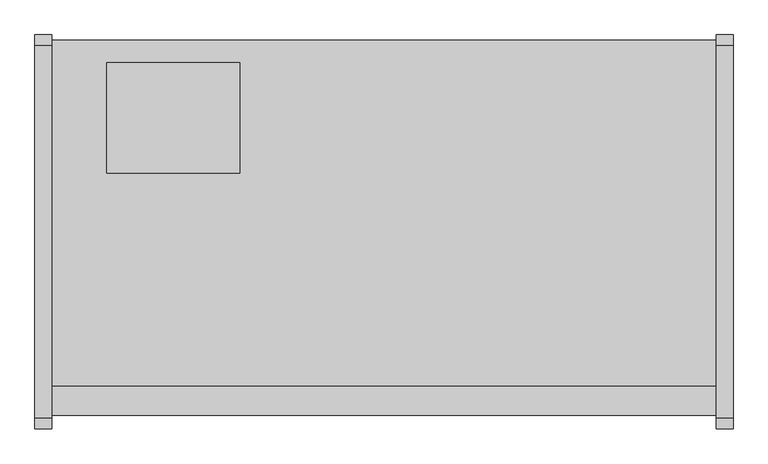
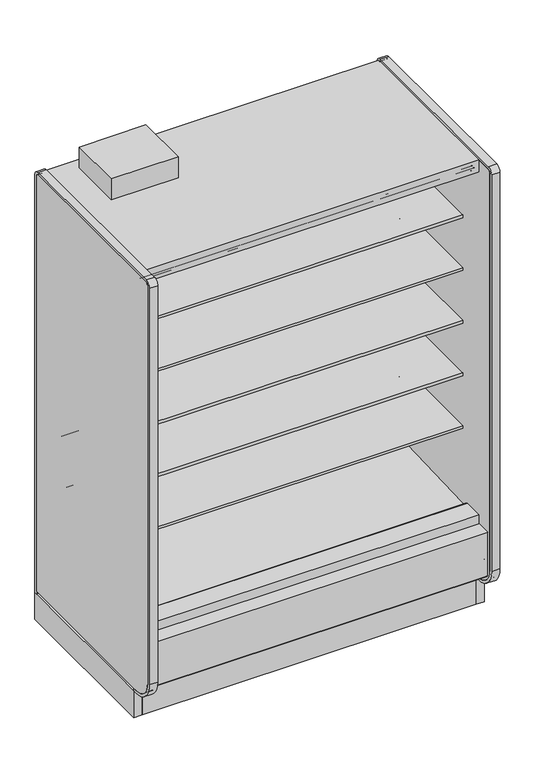
"""IFC4 building model written with IfcOpenShell, lengths in millimetres: proxy geometry."""

from ifc_helpers import new_model, si_unit, point, frame, frame_2d, origin, origin_with_axes, place, context, project, spatial, polyline, circle_curve, trimmed, segment, composite_curve, outline, extrude, source, transform, mapped, element, save


def mechanical_equipment_2878306b(model_context):
    return source(origin(), model_context, "Body", "SweptSolid", [
        extrude(outline(polyline([(0.0, -76.2), (0.0, 0.0), (1524.0, 0.0), (1524.0, -76.2), (0.0, -76.2)])), frame((1524.0, -1069.7024444, 2067.8753304), z_axis=(0.0, 0.08686991344759683, 0.9962196635971442), x_axis=(-1.0, 0.0, 0.0)), (0.0, 0.0, 1.0), 13.49375),
        extrude(outline(polyline([(-1116.7224764, 0.0), (-1116.7224764, 200.9830033), (-1104.0224764, 190.326438), (-1104.0224764, 0.0), (-1116.7224764, 0.0)])), frame((0.0, 0.0, 0.0), z_axis=(1.0, 0.0, 0.0), x_axis=(0.0, 1.0, 0.0)), (0.0, 0.0, 1.0), 1524.0),
        extrude(outline(composite_curve([segment(polyline([(-453.852044, 1714.883004), (-464.9599362, 1714.6666869)]), True, "CONTINUOUS"), segment(trimmed(circle_curve(frame_2d((-465.4478819, 1739.7227147)), 25.0607786), [point((-464.9599362, 1714.6666869))], [point((-481.3552045, 1720.3578055))], False, "CARTESIAN"), True, "CONTINUOUS"), segment(polyline([(-481.3552045, 1720.3578055), (-519.5769051, 1751.4410741)]), True, "CONTINUOUS"), segment(trimmed(circle_curve(frame_2d((-559.6413782, 1702.1755893)), 63.5), [point((-519.5769051, 1751.4410741))], [point((-552.7883688, 1765.304713))], True, "CARTESIAN"), True, "CONTINUOUS"), segment(polyline([(-552.7883688, 1765.304713), (-892.1960421, 1797.9152031), (-892.1960421, 1802.1995295), (-1012.652044, 1802.1995295), (-1012.652044, 1815.6932795), (-453.852044, 1815.6932795), (-453.852044, 1714.883004)]), True, "CONTINUOUS")], self_intersect=False)), frame((0.0, 0.0, 0.0), z_axis=(1.0, 0.0, 0.0), x_axis=(0.0, 1.0, 0.0)), (0.0, 0.0, 1.0), 1524.0),
        extrude(outline(composite_curve([segment(polyline([(-453.852044, 698.883004), (-464.9599362, 698.6666869)]), True, "CONTINUOUS"), segment(trimmed(circle_curve(frame_2d((-465.4478819, 723.7227147)), 25.0607786), [point((-464.9599362, 698.6666869))], [point((-481.3552045, 704.3578055))], False, "CARTESIAN"), True, "CONTINUOUS"), segment(polyline([(-481.3552045, 704.3578055), (-519.5769051, 735.4410741)]), True, "CONTINUOUS"), segment(trimmed(circle_curve(frame_2d((-559.6413782, 686.1755893)), 63.5), [point((-519.5769051, 735.4410741))], [point((-552.7883688, 749.304713))], True, "CARTESIAN"), True, "CONTINUOUS"), segment(polyline([(-552.7883688, 749.304713), (-892.1960421, 781.9152031), (-892.1960421, 786.1995295), (-1012.652044, 786.1995295), (-1012.652044, 799.6932795), (-453.852044, 799.6932795), (-453.852044, 698.883004)]), True, "CONTINUOUS")], self_intersect=False)), frame((0.0, 0.0, 0.0), z_axis=(1.0, 0.0, 0.0), x_axis=(0.0, 1.0, 0.0)), (0.0, 0.0, 1.0), 1524.0),
        extrude(outline(composite_curve([segment(polyline([(-453.852044, 952.883004), (-464.9599362, 952.6666869)]), True, "CONTINUOUS"), segment(trimmed(circle_curve(frame_2d((-465.4478819, 977.7227147)), 25.0607786), [point((-464.9599362, 952.6666869))], [point((-481.3552045, 958.3578055))], False, "CARTESIAN"), True, "CONTINUOUS"), segment(polyline([(-481.3552045, 958.3578055), (-519.5769051, 989.4410741)]), True, "CONTINUOUS"), segment(trimmed(circle_curve(frame_2d((-559.6413782, 940.1755893)), 63.5), [point((-519.5769051, 989.4410741))], [point((-552.7883688, 1003.304713))], True, "CARTESIAN"), True, "CONTINUOUS"), segment(polyline([(-552.7883688, 1003.304713), (-892.1960421, 1035.9152031), (-892.1960421, 1040.1995295), (-1012.652044, 1040.1995295), (-1012.652044, 1053.6932795), (-453.852044, 1053.6932795), (-453.852044, 952.883004)]), True, "CONTINUOUS")], self_intersect=False)), frame((0.0, 0.0, 0.0), z_axis=(1.0, 0.0, 0.0), x_axis=(0.0, 1.0, 0.0)), (0.0, 0.0, 1.0), 1524.0),
        extrude(outline(composite_curve([segment(polyline([(-453.852044, 1206.883004), (-464.9599362, 1206.6666869)]), True, "CONTINUOUS"), segment(trimmed(circle_curve(frame_2d((-465.4478819, 1231.7227147)), 25.0607786), [point((-464.9599362, 1206.6666869))], [point((-481.3552045, 1212.3578055))], False, "CARTESIAN"), True, "CONTINUOUS"), segment(polyline([(-481.3552045, 1212.3578055), (-519.5769051, 1243.4410741)]), True, "CONTINUOUS"), segment(trimmed(circle_curve(frame_2d((-559.6413782, 1194.1755893)), 63.5), [point((-519.5769051, 1243.4410741))], [point((-552.7883688, 1257.304713))], True, "CARTESIAN"), True, "CONTINUOUS"), segment(polyline([(-552.7883688, 1257.304713), (-892.1960421, 1289.9152031), (-892.1960421, 1294.1995295), (-1012.652044, 1294.1995295), (-1012.652044, 1307.6932795), (-453.852044, 1307.6932795), (-453.852044, 1206.883004)]), True, "CONTINUOUS")], self_intersect=False)), frame((0.0, 0.0, 0.0), z_axis=(1.0, 0.0, 0.0), x_axis=(0.0, 1.0, 0.0)), (0.0, 0.0, 1.0), 1524.0),
        extrude(outline(composite_curve([segment(polyline([(-453.852044, 1460.883004), (-464.9599362, 1460.6666869)]), True, "CONTINUOUS"), segment(trimmed(circle_curve(frame_2d((-465.4478819, 1485.7227147)), 25.0607786), [point((-464.9599362, 1460.6666869))], [point((-481.3552045, 1466.3578055))], False, "CARTESIAN"), True, "CONTINUOUS"), segment(polyline([(-481.3552045, 1466.3578055), (-519.5769051, 1497.4410741)]), True, "CONTINUOUS"), segment(trimmed(circle_curve(frame_2d((-559.6413782, 1448.1755893)), 63.5), [point((-519.5769051, 1497.4410741))], [point((-552.7883688, 1511.304713))], True, "CARTESIAN"), True, "CONTINUOUS"), segment(polyline([(-552.7883688, 1511.304713), (-892.1960421, 1543.9152031), (-892.1960421, 1548.1995295), (-1012.652044, 1548.1995295), (-1012.652044, 1561.6932795), (-453.852044, 1561.6932795), (-453.852044, 1460.883004)]), True, "CONTINUOUS")], self_intersect=False)), frame((0.0, 0.0, 0.0), z_axis=(1.0, 0.0, 0.0), x_axis=(0.0, 1.0, 0.0)), (0.0, 0.0, 1.0), 1524.0),
        extrude(outline(composite_curve([segment(trimmed(circle_curve(frame_2d((-1205.2112901, 192.5834383)), 3.175), [point((-1203.6237901, 189.8338076))], [point((-1208.3862901, 192.5834383))], False, "CARTESIAN"), True, "CONTINUOUS"), segment(polyline([(-1208.3862901, 192.5834383), (-1208.3862901, 404.4766923), (-1140.7995461, 404.4766923), (-1140.7995461, 389.4530238), (-1191.4362273, 389.4530238), (-1191.4362273, 263.6779615), (-1151.099162, 229.8208457), (-1203.6237901, 189.8338076)]), True, "CONTINUOUS")], self_intersect=False)), frame((0.0, 0.0, 0.0), z_axis=(1.0, 0.0, 0.0), x_axis=(0.0, 1.0, 0.0)), (0.0, 0.0, 1.0), 1524.0),
        extrude(outline(polyline([(-957.9724764, 130.5306), (-957.9724764, 0.0), (-1116.7224764, 0.0), (-1116.7224764, 200.9830033), (-1032.7605717, 130.5306), (-957.9724764, 130.5306)])), frame((0.0, 0.0, 0.0), z_axis=(1.0, 0.0, 0.0), x_axis=(0.0, 1.0, 0.0)), (0.0, 0.0, 1.0), 1524.0),
        extrude(outline(polyline([(431.8, -399.1724764), (431.8, -653.1724764), (127.0, -653.1724764), (127.0, -399.1724764), (431.8, -399.1724764)])), frame((0.0, 0.0, 2160.5892404), z_axis=(0.0, 0.0, 1.0), x_axis=(1.0, 0.0, 0.0)), (0.0, 0.0, 1.0), 100.0107596),
        extrude(outline(polyline([(-1032.7605717, 130.5306), (-1191.4362273, 263.6752841), (-1191.4362273, 389.4530238), (-1140.7995461, 389.4530238), (-1140.7995461, 291.8489814), (-1030.1279807, 198.9845117), (-1014.582444, 199.5273738), (-969.0109428, 166.5598124), (-899.9654388, 168.9709345), (-859.8822128, 202.4654113), (-402.3474764, 229.9627575), (-402.3474764, 2101.1826079), (-1140.7995461, 2101.1826079), (-1140.7995461, 2159.0), (-348.3724764, 2159.0), (-348.3724764, 130.5306), (-1032.7605717, 130.5306)])), frame((0.0, 0.0, 0.0), z_axis=(1.0, 0.0, 0.0), x_axis=(0.0, 1.0, 0.0)), (0.0, 0.0, 1.0), 1524.0),
        extrude(outline(composite_curve([segment(polyline([(-610.9918112, 2075.7826079), (-992.875881, 2075.7826079), (-992.8481892, 2077.4254758), (-1070.7201873, 2084.2158796), (-1070.7201873, 2074.3348079)]), True, "CONTINUOUS"), segment(trimmed(circle_curve(frame_2d((-1073.2601873, 2074.3348079)), 2.54), [point((-1070.7201873, 2074.3348079))], [point((-1073.2601873, 2071.7948079))], False, "CARTESIAN"), True, "CONTINUOUS"), segment(polyline([(-1073.2601873, 2071.7948079), (-1082.4803873, 2071.7948079)]), True, "CONTINUOUS"), segment(trimmed(circle_curve(frame_2d((-1082.4803873, 2074.3348079)), 2.54), [point((-1082.4803873, 2071.7948079))], [point((-1085.0203873, 2074.3348079))], False, "CARTESIAN"), True, "CONTINUOUS"), segment(polyline([(-1085.0203873, 2074.3348079), (-1085.0203873, 2094.529083)]), True, "CONTINUOUS"), segment(trimmed(circle_curve(frame_2d((-1087.5603873, 2094.529083)), 2.54), [point((-1085.0203873, 2094.529083))], [point((-1087.5603873, 2097.069083))], True, "CARTESIAN"), True, "CONTINUOUS"), segment(polyline([(-1087.5603873, 2097.069083), (-1101.5303873, 2097.069083)]), True, "CONTINUOUS"), segment(trimmed(circle_curve(frame_2d((-1101.5303873, 2099.609083)), 2.54), [point((-1101.5303873, 2097.069083))], [point((-1104.0703873, 2099.609083))], False, "CARTESIAN"), True, "CONTINUOUS"), segment(polyline([(-1104.0703873, 2099.609083), (-1104.0703873, 2101.1826079), (-402.3474764, 2101.1826079), (-402.3474764, 445.9092331), (-453.852044, 445.9092331), (-453.852044, 2075.7826079), (-610.9918112, 2075.7826079)]), True, "CONTINUOUS")], self_intersect=False)), frame((0.0, 0.0, 0.0), z_axis=(1.0, 0.0, 0.0), x_axis=(0.0, 1.0, 0.0)), (0.0, 0.0, 1.0), 1524.0),
        extrude(outline(composite_curve([segment(polyline([(-453.852044, 445.9092331), (-402.3474764, 445.9092331), (-402.3474764, 229.9627575), (-859.8822128, 202.4654113), (-899.9654388, 168.9709345), (-969.0109428, 166.5598124), (-1014.582444, 199.5273738), (-1030.1279807, 198.9845117), (-1140.7995461, 291.8489814), (-1140.7995461, 445.9478), (-1046.459444, 445.9478)]), True, "CONTINUOUS"), segment(trimmed(circle_curve(frame_2d((-1046.459444, 443.8904)), 2.0574), [point((-1046.459444, 445.9478))], [point((-1044.402044, 443.8904))], False, "CARTESIAN"), True, "CONTINUOUS"), segment(polyline([(-1044.402044, 443.8904), (-1044.402044, 423.8521774), (-453.852044, 445.9092331)]), True, "CONTINUOUS")], self_intersect=False)), frame((0.0, 0.0, 0.0), z_axis=(1.0, 0.0, 0.0), x_axis=(0.0, 1.0, 0.0)), (0.0, 0.0, 1.0), 1524.0),
        extrude(outline(polyline([(-957.9724764, 0.0), (-957.9724764, 130.5306), (-348.3724764, 130.5306), (-348.3724764, 0.0), (-394.3083324, 0.0), (-394.3083324, 74.8810382), (-886.6366205, 74.8810382), (-886.6366205, 0.0), (-957.9724764, 0.0)])), frame((0.0, 0.0, 0.0), z_axis=(1.0, 0.0, 0.0), x_axis=(0.0, 1.0, 0.0)), (0.0, 0.0, 1.0), 1524.0),
        extrude(outline(composite_curve([segment(polyline([(-1214.1946273, 2159.0), (-361.0724764, 2159.0)]), True, "CONTINUOUS"), segment(trimmed(circle_curve(frame_2d((-361.0724764, 2146.3)), 12.7), [point((-361.0724764, 2159.0))], [point((-348.3724764, 2146.3))], False, "CARTESIAN"), True, "CONTINUOUS"), segment(polyline([(-348.3724764, 2146.3), (-348.3724764, 143.2306), (-1137.9946273, 143.2306)]), True, "CONTINUOUS"), segment(trimmed(circle_curve(frame_2d((-1137.9946273, 232.1306)), 88.9), [point((-1137.9946273, 143.2306))], [point((-1226.8946273, 232.1306))], False, "CARTESIAN"), True, "CONTINUOUS"), segment(polyline([(-1226.8946273, 232.1306), (-1226.8946273, 2146.3)]), True, "CONTINUOUS"), segment(trimmed(circle_curve(frame_2d((-1214.1946273, 2146.3)), 12.7), [point((-1226.8946273, 2146.3))], [point((-1214.1946273, 2159.0))], False, "CARTESIAN"), True, "CONTINUOUS")], self_intersect=False)), frame((-38.1, 0.0, 0.0), z_axis=(1.0, 0.0, 0.0), x_axis=(0.0, 1.0, 0.0)), (0.0, 0.0, 1.0), 38.1),
        extrude(outline(composite_curve([segment(polyline([(-1239.5946273, 232.1306), (-1239.5946273, 2146.3)]), True, "CONTINUOUS"), segment(trimmed(circle_curve(frame_2d((-1214.1946273, 2146.3)), 25.4), [point((-1239.5946273, 2146.3))], [point((-1214.1946273, 2171.7))], False, "CARTESIAN"), True, "CONTINUOUS"), segment(polyline([(-1214.1946273, 2171.7), (-361.0724764, 2171.7)]), True, "CONTINUOUS"), segment(trimmed(circle_curve(frame_2d((-361.0724764, 2146.3)), 25.4), [point((-361.0724764, 2171.7))], [point((-335.6724764, 2146.3))], False, "CARTESIAN"), True, "CONTINUOUS"), segment(polyline([(-335.6724764, 2146.3), (-335.6724764, 130.5306), (-348.3724764, 130.5306), (-348.3724764, 2146.3)]), True, "CONTINUOUS"), segment(trimmed(circle_curve(frame_2d((-361.0724764, 2146.3)), 12.7), [point((-348.3724764, 2146.3))], [point((-361.0724764, 2159.0))], True, "CARTESIAN"), True, "CONTINUOUS"), segment(polyline([(-361.0724764, 2159.0), (-1214.1946273, 2159.0)]), True, "CONTINUOUS"), segment(trimmed(circle_curve(frame_2d((-1214.1946273, 2146.3)), 12.7), [point((-1214.1946273, 2159.0))], [point((-1226.8946273, 2146.3))], True, "CARTESIAN"), True, "CONTINUOUS"), segment(polyline([(-1226.8946273, 2146.3), (-1226.8946273, 232.1306)]), True, "CONTINUOUS"), segment(trimmed(circle_curve(frame_2d((-1137.9946273, 232.1306)), 88.9), [point((-1226.8946273, 232.1306))], [point((-1137.9946273, 143.2306))], True, "CARTESIAN"), True, "CONTINUOUS"), segment(polyline([(-1137.9946273, 143.2306), (-1116.7224764, 143.2306), (-1116.7224764, 130.5306), (-1137.9946273, 130.5306)]), True, "CONTINUOUS"), segment(trimmed(circle_curve(frame_2d((-1137.9946273, 232.1306)), 101.6), [point((-1137.9946273, 130.5306))], [point((-1239.5946273, 232.1306))], False, "CARTESIAN"), True, "CONTINUOUS")], self_intersect=False)), frame((-38.1, 0.0, 0.0), z_axis=(1.0, 0.0, 0.0), x_axis=(0.0, 1.0, 0.0)), (0.0, 0.0, 1.0), 38.1),
        extrude(outline(composite_curve([segment(polyline([(-1239.5946273, 232.1306), (-1239.5946273, 2146.3)]), True, "CONTINUOUS"), segment(trimmed(circle_curve(frame_2d((-1214.1946273, 2146.3)), 25.4), [point((-1239.5946273, 2146.3))], [point((-1214.1946273, 2171.7))], False, "CARTESIAN"), True, "CONTINUOUS"), segment(polyline([(-1214.1946273, 2171.7), (-361.0724764, 2171.7)]), True, "CONTINUOUS"), segment(trimmed(circle_curve(frame_2d((-361.0724764, 2146.3)), 25.4), [point((-361.0724764, 2171.7))], [point((-335.6724764, 2146.3))], False, "CARTESIAN"), True, "CONTINUOUS"), segment(polyline([(-335.6724764, 2146.3), (-335.6724764, 130.5306), (-348.3724764, 130.5306), (-348.3724764, 2146.3)]), True, "CONTINUOUS"), segment(trimmed(circle_curve(frame_2d((-361.0724764, 2146.3)), 12.7), [point((-348.3724764, 2146.3))], [point((-361.0724764, 2159.0))], True, "CARTESIAN"), True, "CONTINUOUS"), segment(polyline([(-361.0724764, 2159.0), (-1214.1946273, 2159.0)]), True, "CONTINUOUS"), segment(trimmed(circle_curve(frame_2d((-1214.1946273, 2146.3)), 12.7), [point((-1214.1946273, 2159.0))], [point((-1226.8946273, 2146.3))], True, "CARTESIAN"), True, "CONTINUOUS"), segment(polyline([(-1226.8946273, 2146.3), (-1226.8946273, 232.1306)]), True, "CONTINUOUS"), segment(trimmed(circle_curve(frame_2d((-1137.9946273, 232.1306)), 88.9), [point((-1226.8946273, 232.1306))], [point((-1137.9946273, 143.2306))], True, "CARTESIAN"), True, "CONTINUOUS"), segment(polyline([(-1137.9946273, 143.2306), (-1116.7224764, 143.2306), (-1116.7224764, 130.5306), (-1137.9946273, 130.5306)]), True, "CONTINUOUS"), segment(trimmed(circle_curve(frame_2d((-1137.9946273, 232.1306)), 101.6), [point((-1137.9946273, 130.5306))], [point((-1239.5946273, 232.1306))], False, "CARTESIAN"), True, "CONTINUOUS")], self_intersect=False)), frame((1524.0, 0.0, 0.0), z_axis=(1.0, 0.0, 0.0), x_axis=(0.0, 1.0, 0.0)), (0.0, 0.0, 1.0), 38.1),
        extrude(outline(composite_curve([segment(polyline([(-1214.1946273, 2159.0), (-361.0724764, 2159.0)]), True, "CONTINUOUS"), segment(trimmed(circle_curve(frame_2d((-361.0724764, 2146.3)), 12.7), [point((-361.0724764, 2159.0))], [point((-348.3724764, 2146.3))], False, "CARTESIAN"), True, "CONTINUOUS"), segment(polyline([(-348.3724764, 2146.3), (-348.3724764, 143.2306), (-1137.9946273, 143.2306)]), True, "CONTINUOUS"), segment(trimmed(circle_curve(frame_2d((-1137.9946273, 232.1306)), 88.9), [point((-1137.9946273, 143.2306))], [point((-1226.8946273, 232.1306))], False, "CARTESIAN"), True, "CONTINUOUS"), segment(polyline([(-1226.8946273, 232.1306), (-1226.8946273, 2146.3)]), True, "CONTINUOUS"), segment(trimmed(circle_curve(frame_2d((-1214.1946273, 2146.3)), 12.7), [point((-1226.8946273, 2146.3))], [point((-1214.1946273, 2159.0))], False, "CARTESIAN"), True, "CONTINUOUS")], self_intersect=False)), frame((1524.0, 0.0, 0.0), z_axis=(1.0, 0.0, 0.0), x_axis=(0.0, 1.0, 0.0)), (0.0, 0.0, 1.0), 38.1),
        extrude(outline(polyline([(1562.1, -335.6724764), (1562.1, -1116.7224764), (1524.0, -1116.7224764), (1524.0, -335.6724764), (1562.1, -335.6724764)])), origin_with_axes(), (0.0, 0.0, 1.0), 143.2306),
        extrude(outline(polyline([(457.2, -1044.3321273), (457.2, -1108.244384), (254.0, -1108.244384), (254.0, -1044.3321273), (457.2, -1044.3321273)])), frame((0.0, 0.0, 44.45), z_axis=(0.0, 0.0, 1.0), x_axis=(1.0, 0.0, 0.0)), (0.0, 0.0, 1.0), 6.35),
        extrude(outline(polyline([(0.0, -335.6724764), (0.0, -1116.7224764), (-38.1, -1116.7224764), (-38.1, -335.6724764), (0.0, -335.6724764)])), origin_with_axes(), (0.0, 0.0, 1.0), 130.5306),
        extrude(outline(composite_curve([segment(trimmed(circle_curve(frame_2d((762.0, -936.3821273)), 38.1), [point((723.9, -936.3821273))], [point((800.1, -936.3821273))], False, "CARTESIAN"), True, "CONTINUOUS"), segment(trimmed(circle_curve(frame_2d((762.0, -936.3821273)), 38.1), [point((800.1, -936.3821273))], [point((723.9, -936.3821273))], False, "CARTESIAN"), True, "CONTINUOUS")], self_intersect=False)), frame((0.0, 0.0, 61.2666507), z_axis=(0.0, 0.0, 1.0), x_axis=(1.0, 0.0, 0.0)), (0.0, 0.0, 1.0), 65.7333493),
        extrude(outline(composite_curve([segment(trimmed(circle_curve(frame_2d((960.4375, -939.5571273)), 12.7), [point((947.7375, -939.5571273))], [point((973.1375, -939.5571273))], False, "CARTESIAN"), True, "CONTINUOUS"), segment(trimmed(circle_curve(frame_2d((960.4375, -939.5571273)), 12.7), [point((973.1375, -939.5571273))], [point((947.7375, -939.5571273))], False, "CARTESIAN"), True, "CONTINUOUS")], self_intersect=False)), frame((0.0, 0.0, 61.2666507), z_axis=(0.0, 0.0, 1.0), x_axis=(1.0, 0.0, 0.0)), (0.0, 0.0, 1.0), 65.7333493),
        extrude(outline(composite_curve([segment(trimmed(circle_curve(frame_2d((909.6375, -939.5571273)), 9.525), [point((900.1125, -939.5571273))], [point((919.1625, -939.5571273))], False, "CARTESIAN"), True, "CONTINUOUS"), segment(trimmed(circle_curve(frame_2d((909.6375, -939.5571273)), 9.525), [point((919.1625, -939.5571273))], [point((900.1125, -939.5571273))], False, "CARTESIAN"), True, "CONTINUOUS")], self_intersect=False)), frame((0.0, 0.0, 61.2666507), z_axis=(0.0, 0.0, 1.0), x_axis=(1.0, 0.0, 0.0)), (0.0, 0.0, 1.0), 65.7333493),
    ])


if __name__ == "__main__":
    model = new_model("IFC4")
    model_context = context("Model", 3, world=origin())
    ifc_project = project(units=[si_unit("LENGTHUNIT", "METRE", prefix="MILLI")], contexts=[model_context])
    site = spatial("IfcSite", under=ifc_project)
    building = spatial("IfcBuilding", under=site)
    placement = place(None, origin())
    mechanical_equipment_shape = mechanical_equipment_2878306b(model_context)
    element("IfcBuildingElementProxy", 1, Name="Mechanical Equipment", at=placement, inside=building, context=model_context, shape_type="MappedRepresentation", body=[
        mapped(mechanical_equipment_shape, transform((0.0, 0.0, 0.0), x_axis=(1.0, 0.0, 0.0), y_axis=(0.0, 1.0, 0.0), z_axis=(0.0, 0.0, 1.0))),
    ])
    save(model, "model.ifc")
